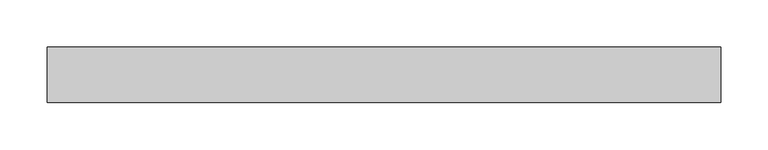
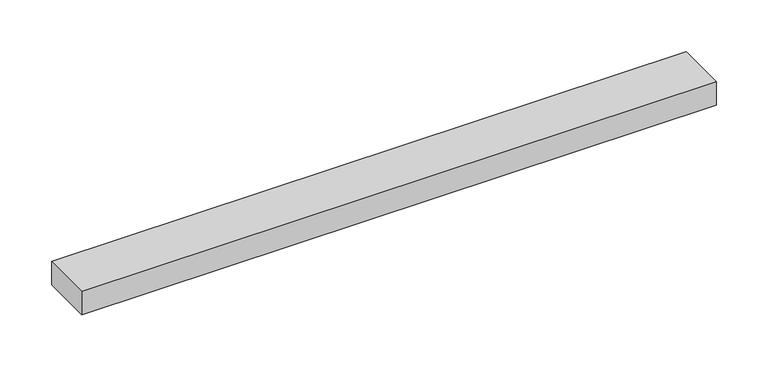
"""IFC4 building model written with IfcOpenShell, lengths in millimetres: proxy geometry."""

from ifc_helpers import new_model, si_unit, frame, origin, place, context, project, spatial, polyline, outline, extrude, source, transform, mapped, element, save


def specialty_equipment_0562604f(model_context):
    return source(origin(), model_context, "Body", "SweptSolid", [
        extrude(outline(polyline([(-354.4605092, -29.2199219), (-354.4605092, 29.2199219), (354.4605092, 29.2199219), (354.4605092, -29.2199219), (-354.4605092, -29.2199219)])), frame((0.0, 0.0, -13.9898438), z_axis=(0.0, 0.0, 1.0), x_axis=(1.0, 0.0, 0.0)), (0.0, 0.0, 1.0), 27.9796875),
    ])


if __name__ == "__main__":
    model = new_model("IFC4")
    model_context = context("Model", 3, world=origin())
    ifc_project = project(units=[si_unit("LENGTHUNIT", "METRE", prefix="MILLI")], contexts=[model_context])
    site = spatial("IfcSite", under=ifc_project)
    building = spatial("IfcBuilding", under=site)
    placement = place(None, origin())
    specialty_equipment_shape = specialty_equipment_0562604f(model_context)
    element("IfcBuildingElementProxy", 1, Name="Specialty Equipment", at=placement, inside=building, context=model_context, shape_type="MappedRepresentation", body=[
        mapped(specialty_equipment_shape, transform((0.0, 0.0, 0.0), x_axis=(1.0, 0.0, 0.0), y_axis=(0.0, 1.0, 0.0), z_axis=(0.0, 0.0, 1.0))),
    ])
    save(model, "model.ifc")
